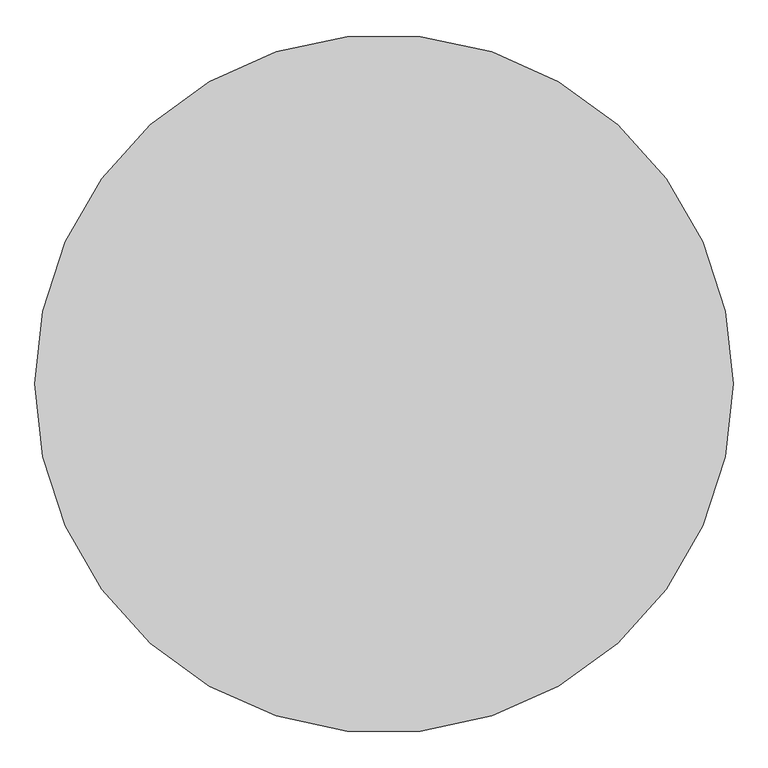
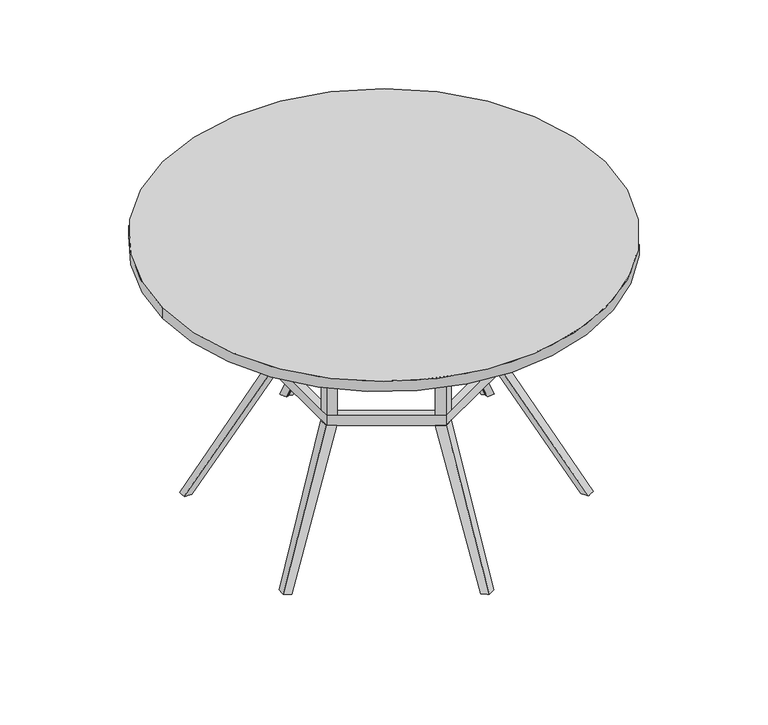
"""IFC4 building model written with IfcOpenShell, lengths in millimetres: furniture geometry."""

from ifc_helpers import new_model, si_unit, point, frame, frame_2d, origin, place, context, project, spatial, polyline, circle_curve, trimmed, segment, composite_curve, outline, extrude, source, transform, mapped, element, save
from ifc_brep_helpers import plane_surface, spline_surface, advanced_brep


def furniture_e1f1187c(model_context):
    return source(origin(), model_context, "Body", "SolidModel", [
        extrude(outline(polyline([(265.8833393, 572.9782528), (265.4415603, 602.9782385), (564.822596, 737.1083508), (570.0030938, 737.1083508), (570.0030938, 719.3283314), (595.4057947, 719.3283314), (265.8833393, 572.9782528)])), frame((-7.617626, 0.0, 0.0), z_axis=(1.0, 0.0, 0.0), x_axis=(0.0, 1.0, 0.0)), (0.0, 0.0, 1.0), 17.3482058),
        extrude(outline(composite_curve([segment(trimmed(circle_curve(frame_2d((0.0, -4.0299408)), 609.6), [point((-609.6, -4.0299408))], [point((609.6, -4.0299408))], False, "CARTESIAN"), True, "CONTINUOUS"), segment(trimmed(circle_curve(frame_2d((0.0, -4.0299408)), 609.6), [point((609.6, -4.0299408))], [point((-609.6, -4.0299408))], False, "CARTESIAN"), True, "CONTINUOUS")], self_intersect=False)), frame((0.0, 0.0, 718.9309477), z_axis=(0.0, 0.0, 1.0), x_axis=(1.0, 0.0, 0.0)), (0.0, 0.0, 1.0), 30.3690523),
        advanced_brep(
        [(1.0282337, 270.8913115, 372.9783239), (-20.9405631, 258.1675675, 372.9783239), (-20.7626257, 257.859371, 372.9783239), (1.0645704, 270.4495525, 372.9783239), (22.8694566, 257.8487469, 372.9783239), (23.0752198, 258.2051389, 372.9783239), (1.0564769, 476.3675664, 6.35), (18.2508741, 465.0696732, 6.35), (9.6564831, 446.899743, 6.35), (1.0564769, 450.9675543, 6.35), (-7.5795095, 447.8559347, 6.35), (-16.5215265, 465.8193731, 6.35), (-10.7833546, 240.5747734, 372.9783239), (1.0564769, 247.404053, 372.9783239), (12.8907228, 240.565098, 372.9783239), (225.6628869, -169.3323273, 572.9782528), (247.6599227, -156.6323225, 572.9782528), (247.6599409, -131.2323376, 572.9782528), (247.3040665, -131.2323376, 572.9782528), (247.2938857, -156.4303306, 572.9782528), (225.4788206, -169.0135148, 572.9782528), (-21.154281, -286.3089003, 572.9782528), (0.8427595, -299.0088881, 572.9782528), (22.8397996, -286.3089003, 572.9782528), (22.6618622, -286.0007038, 572.9782528), (0.8346661, -298.5908853, 572.9782528), (-20.9702124, -285.9900841, 572.9782528), (-245.8675474, -131.0472381, 572.9782528), (-245.9022848, -156.4672883, 572.9782528), (-223.8705253, -169.1472472, 572.9782528), (-223.6925821, -168.8390405, 572.9782528), (-245.509604, -156.2312218, 572.9782528), (-245.4994289, -131.0472383, 572.9782528), (247.810206, 102.9059048, 572.9782528), (247.7732697, 128.3095782, 572.9782528), (225.791496, 141.0435593, 572.9782528), (225.5918186, 140.6977078, 572.9782528), (247.4088405, 128.0898891, 572.9782528), (247.3986654, 102.905905, 572.9782528), (23.0752198, 258.2051389, 572.9782528), (1.0282337, 270.8913115, 572.9782528), (-20.9405631, 258.1675675, 572.9782528), (-20.7626257, 257.859371, 572.9782528), (1.0645704, 270.4495525, 572.9782528), (22.8694566, 257.8487469, 572.9782528), (-223.7853586, 141.2285943, 572.9782528), (-245.7953779, 128.4783976, 572.9782528), (-245.7607044, 103.0910049, 572.9782528), (-245.40483, 103.0910049, 572.9782528), (-245.3946493, 128.2889978, 572.9782528), (-223.5795841, 140.8721821, 572.9782528), (247.6599409, -131.2323376, 402.9783096), (247.6599227, -156.6323225, 402.9783096), (225.6628869, -169.3323273, 402.9783096), (225.4788206, -169.0135148, 402.9783096), (247.2938857, -156.4303306, 402.9783096), (247.3040665, -131.2323376, 402.9783096), (22.8397996, -286.3089003, 402.9783096), (0.8427595, -299.0088881, 402.9783096), (-21.154281, -286.3089003, 402.9783096), (-20.9702124, -285.9900841, 402.9783096), (0.8346661, -298.5908853, 402.9783096), (22.6618622, -286.0007038, 402.9783096), (-223.8705253, -169.1472472, 402.9783096), (-245.9022848, -156.4672883, 402.9783096), (-245.8675474, -131.0472381, 402.9783096), (-245.4994289, -131.0472383, 402.9783096), (-245.509604, -156.2312218, 402.9783096), (-223.6925821, -168.8390405, 402.9783096), (225.791496, 141.0435593, 402.9783096), (247.7732697, 128.3095782, 402.9783096), (247.810206, 102.9059048, 402.9783096), (247.3986654, 102.905905, 402.9783096), (247.4088405, 128.0898891, 402.9783096), (225.5918186, 140.6977078, 402.9783096), (-20.9405631, 258.1675675, 402.9783096), (1.0282337, 270.8913115, 402.9783096), (23.0752198, 258.2051389, 402.9783096), (22.8694566, 257.8487469, 402.9783096), (1.0645704, 270.4495525, 402.9783096), (-20.7626257, 257.859371, 402.9783096), (-245.7607044, 103.0910049, 402.9783096), (-245.7953779, 128.4783976, 402.9783096), (-223.7853586, 141.2285943, 402.9783096), (-223.5795841, 140.8721821, 402.9783096), (-245.3946493, 128.2889978, 402.9783096), (-245.40483, 103.0910049, 402.9783096), (227.4468033, 116.5741481, 372.9783239), (227.3399421, -144.9005713, 372.9783239), (227.3399421, -144.9005713, 602.9782385), (227.4468033, 116.5741481, 602.9782385), (227.3455281, -131.2323376, 572.9782528), (227.3455281, -131.2323376, 402.9783096), (227.4412173, 102.9059139, 402.9783096), (227.4412173, 102.9059139, 572.9782528), (12.6825911, -268.7161061, 372.9783239), (0.8427595, -275.5453857, 372.9783239), (0.8427595, -275.5453857, 573.6898187), (3.6204115, -273.9432209, 572.9782528), (4.3863179, -273.5014419, 602.9782385), (215.5001041, -151.7298546, 402.9783096), (215.5001041, -151.7298546, 572.9782528), (12.6825911, -268.7161061, 572.9782528), (12.6825911, -268.7161061, 402.9783096), (-10.9914864, -268.7064307, 372.9783239), (-225.5475668, -144.7154808, 372.9783239), (-225.5475668, -144.7154808, 602.9782385), (-2.6941162, -273.5014419, 602.9782385), (-1.9296542, -273.9432209, 572.9782528), (-10.9914864, -268.7064307, 402.9783096), (-10.9914864, -268.7064307, 572.9782528), (-213.7133148, -151.5544394, 572.9782528), (-213.7133148, -151.5544394, 402.9783096), (-225.5419808, -131.0472472, 572.9782528), (-225.5419808, -131.0472472, 402.9783096), (-225.4407056, 116.7592386, 372.9783239), (-225.4407056, 116.7592386, 602.9782385), (-225.4462916, 103.0910049, 572.9782528), (-225.4462916, 103.0910049, 402.9783096), (215.6125513, 123.4131067, 402.9783096), (215.6125513, 123.4131067, 572.9782528), (1.0564769, 247.404053, 602.9782385), (12.8907228, 240.565098, 402.9783096), (12.8907228, 240.565098, 572.9782528), (-10.7833546, 240.5747734, 402.9783096), (-10.7833546, 240.5747734, 572.9782528), (-213.6008676, 123.5885219, 402.9783096), (-213.6008676, 123.5885219, 572.9782528), (250.9482697, 128.3095782, 372.9783239), (228.966496, 141.0435593, 372.9783239), (227.9725132, 139.3219303, 372.9783239), (247.4088405, 128.0898891, 372.9783239), (247.3986654, 102.9059064, 372.9783239), (250.985206, 102.9059048, 372.9783239), (428.9099907, 231.0559048, 6.35), (427.7286296, 210.6142246, 6.35), (407.6821921, 208.9711124, 6.35), (406.9129685, 218.3558988, 6.35), (399.9002062, 224.2790656, 6.35), (410.9860121, 241.004807, 6.35), (218.7875513, 123.4131067, 372.9783239), (230.6162173, 102.9059139, 372.9783239), (230.6218033, 116.5741481, 372.9783239), (-248.9703779, 128.4783976, 372.9783239), (-248.9357044, 103.0910049, 372.9783239), (-245.40483, 103.0910049, 372.9783239), (-245.3946493, 128.2889978, 372.9783239), (-225.9613901, 139.4983285, 372.9783239), (-226.9603586, 141.2285943, 372.9783239), (-426.9039293, 231.2409953, 6.35), (-408.5224568, 240.4828367, 6.35), (-397.0840562, 223.9549029, 6.35), (-404.9068709, 218.5409892, 6.35), (-406.5301003, 209.5061846, 6.35), (-426.5579112, 210.7438997, 6.35), (-228.6212916, 103.0910049, 372.9783239), (-228.6157056, 116.7592386, 372.9783239), (-216.7758676, 123.5885219, 372.9783239), (-247.4550474, -131.0472381, 372.9783239), (-247.4905519, -157.0286794, 372.9783239), (-225.7237416, -169.6074814, 372.9783239), (-224.8829294, -168.1511518, 372.9783239), (-245.509604, -156.2312218, 372.9783239), (-245.4994289, -131.047239, 372.9783239), (-424.1694352, -239.9792885, 6.35), (-404.1019024, -238.3344473, 6.35), (-403.3449923, -247.5690059, 6.35), (-396.3322299, -253.4921727, 6.35), (-407.4180358, -270.2179141, 6.35), (-425.3420144, -260.269012, 6.35), (-215.3008148, -151.5544394, 372.9783239), (-227.1350668, -144.7154808, 372.9783239), (-227.1294808, -131.0472472, 372.9783239), (-21.154281, -286.3089003, 372.9783239), (0.8427595, -299.0088881, 372.9783239), (22.8397996, -286.3089003, 372.9783239), (22.6618622, -286.0007038, 372.9783239), (0.8346661, -298.5908853, 372.9783239), (-20.9702124, -285.9900841, 372.9783239), (9.9434814, -476.9308651, 6.35), (18.850254, -494.8235019, 6.35), (0.9239993, -505.5806736, 6.35), (-16.2703979, -494.2827803, 6.35), (-7.6760069, -476.1128502, 6.35), (0.9239993, -480.1806615, 6.35), (228.8378869, -169.3323273, 372.9783239), (250.8349227, -156.6323225, 372.9783239), (250.8349409, -131.2323376, 372.9783239), (247.3040665, -131.2323376, 372.9783239), (247.2938857, -156.4303306, 372.9783239), (227.8606266, -167.6396613, 372.9783239), (428.4571477, -238.8852324, 6.35), (428.8031658, -259.382328, 6.35), (410.4216933, -268.6241694, 6.35), (398.9832927, -252.0962357, 6.35), (406.8061073, -246.6823219, 6.35), (408.4293367, -237.6475173, 6.35), (230.5205281, -131.2323376, 372.9783239), (230.5149421, -144.9005713, 372.9783239), (218.6751041, -151.7298546, 372.9783239), (9.7305798, -273.5014419, 602.9782385), (9.7305798, -293.4596184, 602.9782385), (238.6238277, -161.4313212, 602.9782385), (224.8683254, -153.4895783, 602.9782385), (233.5424281, -138.4655919, 602.9782385), (247.2979353, -146.4073377, 602.9782385), (247.4047965, 118.0809148, 602.9782385), (242.3448132, 115.159532, 602.9782385), (233.670707, 130.1835247, 602.9782385), (238.7306815, 133.1049024, 602.9782385), (1.0645704, 270.4495525, 602.9782385), (-236.7245916, 133.2899883, 602.9782385), (-233.0890399, 131.1910016, 602.9782385), (-241.7631422, 116.1670157, 602.9782385), (-245.3986989, 118.2660053, 602.9782385), (-245.5055601, -146.2222475, 602.9782385), (-233.1744806, -139.1028955, 602.9782385), (-224.5003745, -154.126888, 602.9782385), (-236.8314452, -161.246235, 602.9782385), (-7.617626, -293.7063979, 602.9782385), (-7.617626, -273.5014419, 602.9782385), (238.7306815, 133.1049024, 575.3769764), (247.4088405, 128.0898891, 577.6011682), (-245.3946493, 128.2889978, 576.8706728), (-236.7245916, 133.2899883, 574.6464831), (-245.509604, -156.2312218, 581.3300378), (-245.5055601, -146.2222475, 579.1058506), (-245.3986989, 118.2660053, 574.6464857), (0.8346661, -298.5908853, 583.9249654), (-7.617626, -293.7063979, 581.7556289), (-236.8314452, -161.246235, 579.1058461), (247.2938857, -156.4303306, 582.0605337), (238.6238277, -161.4313212, 579.8363439), (9.7305798, -293.4596184, 581.6460272), (247.4047965, 118.0809148, 575.376981), (247.2979353, -146.4073377, 579.8363464), (492.9422893, 279.8740426, 737.1083508), (497.428732, 282.4642914, 737.1083508), (497.428732, 282.4642914, 719.3283314), (519.4281163, 295.1656419, 719.3283314), (528.1022225, 280.1416492, 719.3283314), (506.1028382, 267.4402988, 719.3283314), (506.1028382, 267.4402988, 737.1083508), (501.6163955, 264.8500499, 737.1083508), (-501.0347246, 265.8575335, 737.1083508), (-505.5211672, 268.4477824, 737.1083508), (-505.5211672, 268.4477824, 719.3283314), (-527.5205515, 281.1491329, 719.3283314), (-518.8464492, 296.1731188, 719.3283314), (-496.8470649, 283.4717683, 719.3283314), (-496.8470649, 283.4717683, 737.1083508), (-492.3606223, 280.8815195, 737.1083508), (-483.7719569, -303.8174058, 737.1083508), (-488.2583995, -306.4076547, 737.1083508), (-488.2583995, -306.4076547, 719.3283314), (-510.2577838, -319.1090052, 719.3283314), (-518.9318899, -304.0850127, 719.3283314), (-496.9325056, -291.3836622, 719.3283314), (-496.9325056, -291.3836622, 737.1083508), (-492.446063, -288.7934134, 737.1083508), (9.7305798, -572.8824776, 737.1083508), (9.7305798, -578.0629753, 737.1083508), (9.7305798, -578.0629753, 719.3283314), (9.7305798, -603.4656762, 719.3283314), (-7.617626, -603.4656762, 719.3283314), (-7.617626, -578.0629753, 719.3283314), (-7.617626, -578.0629753, 737.1083508), (-7.617626, -572.8824776, 737.1083508), (492.8140104, -288.1561097, 737.1083508), (497.300453, -290.7463586, 737.1083508), (497.300453, -290.7463586, 719.3283314), (519.2998373, -303.447709, 719.3283314), (510.6257347, -318.4716955, 719.3283314), (488.6263504, -305.770345, 719.3283314), (488.6263504, -305.770345, 737.1083508), (484.1399078, -303.1800962, 737.1083508)],
        [
            (0, 1),
            (1, 2),
            (2, 3),
            (3, 4),
            (4, 5),
            (5, 0),
            (6, 7),
            (7, 8),
            (8, 9),
            (9, 10),
            (10, 11),
            (11, 6),
            (0, 6),
            (11, 1),
            (10, 12),
            (12, 2),
            (9, 13),
            (13, 12),
            (8, 14),
            (14, 13),
            (7, 5),
            (4, 14),
            (15, 16),
            (16, 17),
            (17, 18),
            (18, 19),
            (19, 20),
            (20, 15),
            (21, 22),
            (22, 23),
            (23, 24),
            (24, 25),
            (25, 26),
            (26, 21),
            (27, 28),
            (28, 29),
            (29, 30),
            (30, 31),
            (31, 32),
            (32, 27),
            (33, 34),
            (34, 35),
            (35, 36),
            (36, 37),
            (37, 38),
            (38, 33),
            (39, 40),
            (40, 41),
            (41, 42),
            (42, 43),
            (43, 44),
            (44, 39),
            (45, 46),
            (46, 47),
            (47, 48),
            (48, 49),
            (49, 50),
            (50, 45),
            (51, 52),
            (52, 53),
            (53, 54),
            (54, 55),
            (55, 56),
            (56, 51),
            (57, 58),
            (58, 59),
            (59, 60),
            (60, 61),
            (61, 62),
            (62, 57),
            (63, 64),
            (64, 65),
            (65, 66),
            (66, 67),
            (67, 68),
            (68, 63),
            (69, 70),
            (70, 71),
            (71, 72),
            (72, 73),
            (73, 74),
            (74, 69),
            (75, 76),
            (76, 77),
            (77, 78),
            (78, 79),
            (79, 80),
            (80, 75),
            (81, 82),
            (82, 83),
            (83, 84),
            (84, 85),
            (85, 86),
            (86, 81),
            (87, 88),
            (88, 89),
            (89, 90),
            (90, 87),
            (91, 92),
            (92, 93),
            (93, 94),
            (94, 91),
            (88, 95),
            (95, 96),
            (96, 97),
            (97, 98),
            (98, 99),
            (99, 89),
            (100, 101),
            (101, 102),
            (102, 103),
            (103, 100),
            (100, 54),
            (53, 15),
            (20, 101),
            (91, 18),
            (17, 51),
            (56, 92),
            (52, 16),
            (104, 105),
            (105, 106),
            (106, 107),
            (107, 108),
            (108, 97),
            (96, 104),
            (109, 110),
            (110, 111),
            (111, 112),
            (112, 109),
            (109, 60),
            (59, 21),
            (26, 110),
            (58, 22),
            (57, 23),
            (102, 24),
            (62, 103),
            (113, 114),
            (114, 66),
            (65, 27),
            (32, 113),
            (64, 28),
            (63, 29),
            (68, 112),
            (111, 30),
            (105, 115),
            (115, 116),
            (116, 106),
            (113, 117),
            (117, 118),
            (118, 114),
            (33, 71),
            (70, 34),
            (69, 35),
            (74, 119),
            (119, 120),
            (120, 36),
            (14, 87),
            (90, 121),
            (121, 13),
            (119, 122),
            (122, 123),
            (123, 120),
            (38, 94),
            (93, 72),
            (39, 77),
            (76, 40),
            (75, 41),
            (80, 124),
            (124, 125),
            (125, 42),
            (115, 12),
            (121, 116),
            (124, 126),
            (126, 127),
            (127, 125),
            (44, 123),
            (122, 78),
            (45, 83),
            (82, 46),
            (81, 47),
            (86, 118),
            (117, 48),
            (50, 127),
            (126, 84),
            (128, 129),
            (129, 130),
            (130, 131),
            (131, 132),
            (132, 133),
            (133, 128),
            (134, 135),
            (135, 136),
            (136, 137),
            (137, 138),
            (138, 139),
            (139, 134),
            (138, 140),
            (140, 130),
            (129, 139),
            (135, 133),
            (132, 141),
            (141, 136),
            (128, 134),
            (137, 142),
            (142, 140),
            (141, 142),
            (143, 144),
            (144, 145),
            (145, 146),
            (146, 147),
            (147, 148),
            (148, 143),
            (149, 150),
            (150, 151),
            (151, 152),
            (152, 153),
            (153, 154),
            (154, 149),
            (143, 149),
            (154, 144),
            (153, 155),
            (155, 145),
            (152, 156),
            (156, 155),
            (151, 157),
            (157, 156),
            (150, 148),
            (147, 157),
            (158, 159),
            (159, 160),
            (160, 161),
            (161, 162),
            (162, 163),
            (163, 158),
            (164, 165),
            (165, 166),
            (166, 167),
            (167, 168),
            (168, 169),
            (169, 164),
            (158, 164),
            (169, 159),
            (168, 160),
            (167, 170),
            (170, 161),
            (166, 171),
            (171, 170),
            (165, 172),
            (172, 171),
            (163, 172),
            (173, 174),
            (174, 175),
            (175, 176),
            (176, 177),
            (177, 178),
            (178, 173),
            (179, 180),
            (180, 181),
            (181, 182),
            (182, 183),
            (183, 184),
            (184, 179),
            (184, 96),
            (95, 179),
            (183, 104),
            (182, 173),
            (178, 104),
            (181, 174),
            (180, 175),
            (95, 176),
            (185, 186),
            (186, 187),
            (187, 188),
            (188, 189),
            (189, 190),
            (190, 185),
            (191, 192),
            (192, 193),
            (193, 194),
            (194, 195),
            (195, 196),
            (196, 191),
            (196, 197),
            (197, 188),
            (187, 191),
            (195, 198),
            (198, 197),
            (194, 199),
            (199, 198),
            (193, 185),
            (190, 199),
            (192, 186),
            (56, 72),
            (62, 54),
            (68, 60),
            (86, 66),
            (74, 78),
            (80, 84),
            (4, 130),
            (132, 188),
            (190, 176),
            (178, 161),
            (163, 145),
            (147, 2),
            (73, 131),
            (3, 79),
            (146, 85),
            (162, 67),
            (177, 61),
            (189, 55),
            (99, 200),
            (200, 201),
            (201, 202),
            (202, 203),
            (203, 204),
            (204, 205),
            (205, 206),
            (206, 207),
            (207, 208),
            (208, 209),
            (209, 210),
            (210, 211),
            (211, 212),
            (212, 213),
            (213, 214),
            (214, 215),
            (215, 216),
            (216, 217),
            (217, 218),
            (218, 219),
            (219, 220),
            (220, 107),
            (38, 18),
            (20, 24),
            (26, 30),
            (32, 48),
            (44, 36),
            (50, 42),
            (43, 210),
            (209, 221),
            (221, 222),
            (222, 37),
            (49, 223),
            (223, 224),
            (224, 211),
            (31, 225),
            (225, 226),
            (226, 215),
            (214, 227),
            (227, 223),
            (25, 228),
            (228, 229),
            (229, 219),
            (218, 230),
            (230, 225),
            (19, 231),
            (231, 232),
            (232, 202),
            (201, 233),
            (233, 228),
            (222, 234),
            (234, 206),
            (205, 235),
            (235, 231),
            (208, 236),
            (236, 237),
            (237, 238),
            (238, 239),
            (239, 221),
            (240, 241),
            (241, 242),
            (242, 243),
            (243, 207),
            (234, 240),
            (239, 240),
            (238, 241),
            (237, 242),
            (236, 243),
            (213, 244),
            (244, 245),
            (245, 246),
            (246, 247),
            (247, 227),
            (248, 249),
            (249, 250),
            (250, 251),
            (251, 212),
            (224, 248),
            (247, 248),
            (246, 249),
            (245, 250),
            (244, 251),
            (217, 252),
            (252, 253),
            (253, 254),
            (254, 255),
            (255, 230),
            (256, 257),
            (257, 258),
            (258, 259),
            (259, 216),
            (226, 256),
            (255, 256),
            (254, 257),
            (253, 258),
            (252, 259),
            (200, 260),
            (260, 261),
            (261, 262),
            (262, 263),
            (263, 233),
            (264, 265),
            (265, 266),
            (266, 267),
            (267, 220),
            (229, 264),
            (263, 264),
            (108, 98),
            (262, 265),
            (261, 266),
            (260, 267),
            (99, 107),
            (204, 268),
            (268, 269),
            (269, 270),
            (270, 271),
            (271, 235),
            (272, 273),
            (273, 274),
            (274, 275),
            (275, 203),
            (232, 272),
            (271, 272),
            (270, 273),
            (269, 274),
            (268, 275),
        ],
        [
            plane_surface(frame((1.0544559, 252.6346571, 372.9783239), z_axis=(0.0, 0.0, 1.0), x_axis=(0.5000005391607083, 0.8660250924996348, 0.0))),
            plane_surface(frame((0.9865459, 458.8299741, 6.35), z_axis=(0.0, 0.0, -1.0), x_axis=(0.5000005391607083, 0.8660250924996348, 0.0))),
            spline_surface(1, 1, [[(1.0564769, 476.3675664, 6.35), (1.0282337, 270.8913115, 372.9783239)], [(-16.5215265, 465.8193731, 6.35), (-20.9405631, 258.1675675, 372.9783239)]], [2, 2], [2, 2], [0.0, 1.0], [0.0, 1.0]),
            spline_surface(1, 1, [[(-16.5215265, 465.8193731, 6.35), (-20.9405631, 258.1675675, 372.9783239)], [(-7.5795095, 447.8559347, 6.35), (-10.7833546, 240.5747734, 372.9783239)]], [2, 2], [2, 2], [0.0, 1.0], [0.0, 1.0]),
            spline_surface(1, 1, [[(-7.5795095, 447.8559347, 6.35), (-10.7833546, 240.5747734, 372.9783239)], [(1.0564769, 450.9675543, 6.35), (1.0564769, 247.404053, 372.9783239)]], [2, 2], [2, 2], [0.0, 1.0], [0.0, 1.0]),
            spline_surface(1, 1, [[(1.0564769, 450.9675543, 6.35), (1.0564769, 247.404053, 372.9783239)], [(9.6564831, 446.899743, 6.35), (12.8907228, 240.565098, 372.9783239)]], [2, 2], [2, 2], [0.0, 1.0], [0.0, 1.0]),
            spline_surface(1, 1, [[(9.6564831, 446.899743, 6.35), (12.8907228, 240.565098, 372.9783239)], [(18.2508741, 465.0696732, 6.35), (23.0752198, 258.2051389, 372.9783239)]], [2, 2], [2, 2], [0.0, 1.0], [0.0, 1.0]),
            spline_surface(1, 1, [[(18.2508741, 465.0696732, 6.35), (23.0752198, 258.2051389, 372.9783239)], [(1.0564769, 476.3675664, 6.35), (1.0282337, 270.8913115, 372.9783239)]], [2, 2], [2, 2], [0.0, 1.0], [0.0, 1.0]),
            plane_surface(frame((227.4468033, 116.5741481, 572.9782528), z_axis=(0.0, 0.0, 1.0), x_axis=(-0.0004086865498825392, -0.9999999164876485, 0.0))),
            plane_surface(frame((227.4468033, 116.5741481, 402.9783096), z_axis=(0.0, 0.0, -1.0), x_axis=(0.0004086865498825392, 0.9999999164876485, 0.0))),
            plane_surface(frame((227.3455281, -131.2323376, 572.9782528), z_axis=(-0.9999999164876485, 0.0004086865498825392, 0.0), x_axis=(0.0, 0.0, -1.0))),
            plane_surface(frame((227.3399421, -144.9005713, 572.9782528), z_axis=(-0.4996460191726039, 0.8662296782753232, 0.0), x_axis=(0.0, 0.0, -1.0))),
            plane_surface(frame((215.5001041, -151.7298546, 572.9782528), z_axis=(-0.8660256063750589, -0.4999996491025887, 0.0), x_axis=(0.0, 0.0, -1.0))),
            plane_surface(frame((247.6599409, -131.2323376, 572.9782528), z_axis=(0.0, 1.0, 0.0), x_axis=(0.0, 0.0, -1.0))),
            plane_surface(frame((225.6628869, -169.3323273, 572.9782528), z_axis=(0.5000003044673711, -0.8660252280000487, 0.0), x_axis=(0.0, 0.0, -1.0))),
            plane_surface(frame((247.6599227, -156.6323225, 572.9782528), z_axis=(0.9999999999997442, -7.152561636304001e-07, 0.0), x_axis=(0.0, 0.0, -1.0))),
            plane_surface(frame((0.8427595, -275.5453857, 572.9782528), z_axis=(0.5003538807390753, 0.865820994218405, 0.0), x_axis=(0.0, 0.0, -1.0))),
            plane_surface(frame((-10.9914864, -268.7064307, 572.9782528), z_axis=(-0.8660253160174293, 0.5000001520168889, 0.0), x_axis=(0.0, 0.0, -1.0))),
            plane_surface(frame((-21.154281, -286.3089003, 572.9782528), z_axis=(-0.4999997224481321, -0.866025564029025, 0.0), x_axis=(0.0, 0.0, -1.0))),
            plane_surface(frame((0.8427595, -299.0088881, 572.9782528), z_axis=(0.49999973061444164, -0.8660255593142074, 0.0), x_axis=(0.0, 0.0, -1.0))),
            plane_surface(frame((22.8397996, -286.3089003, 572.9782528), z_axis=(0.8660253160174297, 0.5000001520168879, 0.0), x_axis=(0.0, 0.0, -1.0))),
            plane_surface(frame((-225.5419808, -131.0472472, 572.9782528), z_axis=(4.4703486221542854e-07, 0.9999999999999001, 0.0), x_axis=(0.0, 0.0, -1.0))),
            plane_surface(frame((-245.8675474, -131.0472381, 572.9782528), z_axis=(-0.9999990662940893, 0.001366532454608452, 0.0), x_axis=(0.0, 0.0, -1.0))),
            plane_surface(frame((-245.9022848, -156.4672883, 572.9782528), z_axis=(-0.498816902463327, -0.8667073888094481, 0.0), x_axis=(0.0, 0.0, -1.0))),
            plane_surface(frame((-223.8705253, -169.1472472, 572.9782528), z_axis=(0.8660254427489326, -0.49999993251151087, 0.0), x_axis=(0.0, 0.0, -1.0))),
            plane_surface(frame((-225.5475668, -144.7154808, 572.9782528), z_axis=(0.9999999164876485, -0.000408686549877738, 0.0), x_axis=(0.0, 0.0, -1.0))),
            plane_surface(frame((247.810206, 102.9059048, 572.9782528), z_axis=(0.9999989429817238, 0.0014539722952247535, 0.0), x_axis=(0.0, 0.0, -1.0))),
            plane_surface(frame((247.7732697, 128.3095782, 572.9782528), z_axis=(0.5012630036247611, 0.8652949792972815, 0.0), x_axis=(0.0, 0.0, -1.0))),
            plane_surface(frame((225.791496, 141.0435593, 572.9782528), z_axis=(-0.8660254427489322, 0.4999999325115114, 0.0), x_axis=(0.0, 0.0, -1.0))),
            plane_surface(frame((215.6125513, 123.4131067, 572.9782528), z_axis=(-0.5003538807390725, -0.8658209942184066, 0.0), x_axis=(0.0, 0.0, -1.0))),
            plane_surface(frame((227.4412173, 102.9059139, 572.9782528), z_axis=(-4.47034861791882e-07, -0.9999999999999001, 0.0), x_axis=(0.0, 0.0, -1.0))),
            plane_surface(frame((23.0752198, 258.2051389, 572.9782528), z_axis=(0.49874160496434417, 0.8667507204944165, 0.0), x_axis=(0.0, 0.0, -1.0))),
            plane_surface(frame((1.0282337, 270.8913115, 572.9782528), z_axis=(-0.5011827924486907, 0.8653414404461008, 0.0), x_axis=(0.0, 0.0, -1.0))),
            plane_surface(frame((-20.9405631, 258.1675675, 572.9782528), z_axis=(-0.8660253160174296, -0.5000001520168882, 0.0), x_axis=(0.0, 0.0, -1.0))),
            plane_surface(frame((-10.7833546, 240.5747734, 572.9782528), z_axis=(0.49964601917260615, -0.8662296782753219, 0.0), x_axis=(0.0, 0.0, -1.0))),
            plane_surface(frame((12.8907228, 240.565098, 572.9782528), z_axis=(0.8660250924996348, -0.5000005391607083, 0.0), x_axis=(0.0, 0.0, -1.0))),
            plane_surface(frame((-223.7853586, 141.2285943, 572.9782528), z_axis=(-0.5012586778512238, 0.865297485191563, 0.0), x_axis=(0.0, 0.0, -1.0))),
            plane_surface(frame((-245.7953779, 128.4783976, 572.9782528), z_axis=(-0.9999990673285242, -0.001365775267699, 0.0), x_axis=(0.0, 0.0, -1.0))),
            plane_surface(frame((-245.7607044, 103.0910049, 572.9782528), z_axis=(0.0, -1.0, 0.0), x_axis=(0.0, 0.0, -1.0))),
            plane_surface(frame((-213.6008676, 123.5885219, 572.9782528), z_axis=(0.8660256063750593, 0.4999996491025877, 0.0), x_axis=(0.0, 0.0, -1.0))),
            plane_surface(frame((235.1542572, 119.1920352, 372.9783239), z_axis=(0.0, 0.0, 1.0), x_axis=(-0.4999999325115116, -0.8660254427489321, 0.0))),
            plane_surface(frame((413.6866665, 222.3801689, 6.35), z_axis=(0.0, 0.0, -1.0), x_axis=(-0.4999999325115116, -0.8660254427489321, 0.0))),
            spline_surface(1, 1, [[(410.9860121, 241.004807, 6.35), (228.966496, 141.0435593, 372.9783239)], [(399.9002062, 224.2790656, 6.35), (218.7875513, 123.4131067, 372.9783239)]], [2, 2], [2, 2], [0.0, 1.0], [0.0, 1.0]),
            spline_surface(1, 1, [[(407.6821921, 208.9711124, 6.35), (230.6162173, 102.9059139, 372.9783239)], [(427.7286296, 210.6142246, 6.35), (250.985206, 102.9059048, 372.9783239)]], [2, 2], [2, 2], [0.0, 1.0], [0.0, 1.0]),
            spline_surface(1, 1, [[(428.9099907, 231.0559048, 6.35), (250.9482697, 128.3095782, 372.9783239)], [(410.9860121, 241.004807, 6.35), (228.966496, 141.0435593, 372.9783239)]], [2, 2], [2, 2], [0.0, 1.0], [0.0, 1.0]),
            spline_surface(1, 1, [[(427.7286296, 210.6142246, 6.35), (250.985206, 102.9059048, 372.9783239)], [(428.9099907, 231.0559048, 6.35), (250.9482697, 128.3095782, 372.9783239)]], [2, 2], [2, 2], [0.0, 1.0], [0.0, 1.0]),
            spline_surface(1, 1, [[(399.9002062, 224.2790656, 6.35), (218.7875513, 123.4131067, 372.9783239)], [(406.9129685, 218.3558988, 6.35), (230.6218033, 116.5741481, 372.9783239)]], [2, 2], [2, 2], [0.0, 1.0], [0.0, 1.0]),
            spline_surface(1, 1, [[(406.9129685, 218.3558988, 6.35), (230.6218033, 116.5741481, 372.9783239)], [(407.6821921, 208.9711124, 6.35), (230.6162173, 102.9059139, 372.9783239)]], [2, 2], [2, 2], [0.0, 1.0], [0.0, 1.0]),
            plane_surface(frame((-233.146551, 119.3727937, 372.9783239), z_axis=(0.0, 0.0, 1.0), x_axis=(-0.49999964910258876, 0.8660256063750588, 0.0))),
            plane_surface(frame((-411.7508875, 222.4116347, 6.35), z_axis=(0.0, 0.0, -1.0), x_axis=(-0.49999964910258876, 0.8660256063750588, 0.0))),
            spline_surface(1, 1, [[(-426.9039293, 231.2409953, 6.35), (-248.9703779, 128.4783976, 372.9783239)], [(-426.5579112, 210.7438997, 6.35), (-248.9357044, 103.0910049, 372.9783239)]], [2, 2], [2, 2], [0.0, 1.0], [0.0, 1.0]),
            spline_surface(1, 1, [[(-426.5579112, 210.7438997, 6.35), (-248.9357044, 103.0910049, 372.9783239)], [(-406.5301003, 209.5061846, 6.35), (-228.6212916, 103.0910049, 372.9783239)]], [2, 2], [2, 2], [0.0, 1.0], [0.0, 1.0]),
            spline_surface(1, 1, [[(-406.5301003, 209.5061846, 6.35), (-228.6212916, 103.0910049, 372.9783239)], [(-404.9068709, 218.5409892, 6.35), (-228.6157056, 116.7592386, 372.9783239)]], [2, 2], [2, 2], [0.0, 1.0], [0.0, 1.0]),
            spline_surface(1, 1, [[(-404.9068709, 218.5409892, 6.35), (-228.6157056, 116.7592386, 372.9783239)], [(-397.0840562, 223.9549029, 6.35), (-216.7758676, 123.5885219, 372.9783239)]], [2, 2], [2, 2], [0.0, 1.0], [0.0, 1.0]),
            spline_surface(1, 1, [[(-397.0840562, 223.9549029, 6.35), (-216.7758676, 123.5885219, 372.9783239)], [(-408.5224568, 240.4828367, 6.35), (-226.9603586, 141.2285943, 372.9783239)]], [2, 2], [2, 2], [0.0, 1.0], [0.0, 1.0]),
            spline_surface(1, 1, [[(-408.5224568, 240.4828367, 6.35), (-226.9603586, 141.2285943, 372.9783239)], [(-426.9039293, 231.2409953, 6.35), (-248.9703779, 128.4783976, 372.9783239)]], [2, 2], [2, 2], [0.0, 1.0], [0.0, 1.0]),
            plane_surface(frame((-231.7057839, -147.5000944, 372.9783239), z_axis=(0.0, 0.0, 1.0), x_axis=(-0.9999999999999001, 4.470348624607392e-07, 0.0))),
            plane_surface(frame((-410.1181017, -251.6436401, 6.35), z_axis=(0.0, 0.0, -1.0), x_axis=(-0.9999999999999001, 4.470348624607392e-07, 0.0))),
            spline_surface(1, 1, [[(-424.1694352, -239.9792885, 6.35), (-247.4550474, -131.0472381, 372.9783239)], [(-425.3420144, -260.269012, 6.35), (-247.4905519, -157.0286794, 372.9783239)]], [2, 2], [2, 2], [0.0, 1.0], [0.0, 1.0]),
            spline_surface(1, 1, [[(-425.3420144, -260.269012, 6.35), (-247.4905519, -157.0286794, 372.9783239)], [(-407.4180358, -270.2179141, 6.35), (-225.7237416, -169.6074814, 372.9783239)]], [2, 2], [2, 2], [0.0, 1.0], [0.0, 1.0]),
            spline_surface(1, 1, [[(-407.4180358, -270.2179141, 6.35), (-225.7237416, -169.6074814, 372.9783239)], [(-396.3322299, -253.4921727, 6.35), (-215.3008148, -151.5544394, 372.9783239)]], [2, 2], [2, 2], [0.0, 1.0], [0.0, 1.0]),
            spline_surface(1, 1, [[(-396.3322299, -253.4921727, 6.35), (-215.3008148, -151.5544394, 372.9783239)], [(-403.3449923, -247.5690059, 6.35), (-227.1350668, -144.7154808, 372.9783239)]], [2, 2], [2, 2], [0.0, 1.0], [0.0, 1.0]),
            spline_surface(1, 1, [[(-403.3449923, -247.5690059, 6.35), (-227.1350668, -144.7154808, 372.9783239)], [(-404.1019024, -238.3344473, 6.35), (-227.1294808, -131.0472472, 372.9783239)]], [2, 2], [2, 2], [0.0, 1.0], [0.0, 1.0]),
            spline_surface(1, 1, [[(-404.1019024, -238.3344473, 6.35), (-227.1294808, -131.0472472, 372.9783239)], [(-424.1694352, -239.9792885, 6.35), (-247.4550474, -131.0472381, 372.9783239)]], [2, 2], [2, 2], [0.0, 1.0], [0.0, 1.0]),
            plane_surface(frame((0.8436904, -280.7657685, 372.9783239), z_axis=(0.0, 0.0, 1.0000000000000002), x_axis=(-0.8662296782753222, -0.4996460191726059, 0.0))),
            plane_surface(frame((1.1158882, -487.9852221, 6.35), z_axis=(0.0, 0.0, -1.0000000000000002), x_axis=(-0.8662296782753222, -0.4996460191726059, 0.0))),
            spline_surface(1, 1, [[(9.9434814, -476.9308651, 6.35), (12.6825911, -268.7161061, 372.9783239)], [(0.9239993, -480.1806615, 6.35), (0.8427595, -275.5453857, 372.9783239)]], [2, 2], [2, 2], [0.0, 1.0], [0.0, 1.0]),
            spline_surface(1, 1, [[(0.9239993, -480.1806615, 6.35), (0.8427595, -275.5453857, 372.9783239)], [(-7.6760069, -476.1128502, 6.35), (-10.9914864, -268.7064307, 372.9783239)]], [2, 2], [2, 2], [0.0, 1.0], [0.0, 1.0]),
            spline_surface(1, 1, [[(-7.6760069, -476.1128502, 6.35), (-10.9914864, -268.7064307, 372.9783239)], [(-16.2703979, -494.2827803, 6.35), (-21.154281, -286.3089003, 372.9783239)]], [2, 2], [2, 2], [0.0, 1.0], [0.0, 1.0]),
            spline_surface(1, 1, [[(-16.2703979, -494.2827803, 6.35), (-21.154281, -286.3089003, 372.9783239)], [(0.9239993, -505.5806736, 6.35), (0.8427595, -299.0088881, 372.9783239)]], [2, 2], [2, 2], [0.0, 1.0], [0.0, 1.0]),
            spline_surface(1, 1, [[(0.9239993, -505.5806736, 6.35), (0.8427595, -299.0088881, 372.9783239)], [(18.850254, -494.8235019, 6.35), (22.8397996, -286.3089003, 372.9783239)]], [2, 2], [2, 2], [0.0, 1.0], [0.0, 1.0]),
            spline_surface(1, 1, [[(18.850254, -494.8235019, 6.35), (22.8397996, -286.3089003, 372.9783239)], [(9.9434814, -476.9308651, 6.35), (12.6825911, -268.7161061, 372.9783239)]], [2, 2], [2, 2], [0.0, 1.0], [0.0, 1.0]),
            plane_surface(frame((235.0363874, -147.5099585, 372.9783239), z_axis=(0.0, 0.0, 1.0000000000000002), x_axis=(-0.8662296782753222, -0.4996460191726059, 0.0))),
            plane_surface(frame((413.6501239, -250.5529675, 6.35), z_axis=(0.0, 0.0, -1.0000000000000002), x_axis=(-0.8662296782753222, -0.4996460191726059, 0.0))),
            spline_surface(1, 1, [[(428.4571477, -238.8852324, 6.35), (250.8349409, -131.2323376, 372.9783239)], [(408.4293367, -237.6475173, 6.35), (230.5205281, -131.2323376, 372.9783239)]], [2, 2], [2, 2], [0.0, 1.0], [0.0, 1.0]),
            spline_surface(1, 1, [[(408.4293367, -237.6475173, 6.35), (230.5205281, -131.2323376, 372.9783239)], [(406.8061073, -246.6823219, 6.35), (230.5149421, -144.9005713, 372.9783239)]], [2, 2], [2, 2], [0.0, 1.0], [0.0, 1.0]),
            spline_surface(1, 1, [[(406.8061073, -246.6823219, 6.35), (230.5149421, -144.9005713, 372.9783239)], [(398.9832927, -252.0962357, 6.35), (218.6751041, -151.7298546, 372.9783239)]], [2, 2], [2, 2], [0.0, 1.0], [0.0, 1.0]),
            spline_surface(1, 1, [[(398.9832927, -252.0962357, 6.35), (218.6751041, -151.7298546, 372.9783239)], [(410.4216933, -268.6241694, 6.35), (228.8378869, -169.3323273, 372.9783239)]], [2, 2], [2, 2], [0.0, 1.0], [0.0, 1.0]),
            spline_surface(1, 1, [[(410.4216933, -268.6241694, 6.35), (228.8378869, -169.3323273, 372.9783239)], [(428.8031658, -259.382328, 6.35), (250.8349227, -156.6323225, 372.9783239)]], [2, 2], [2, 2], [0.0, 1.0], [0.0, 1.0]),
            spline_surface(1, 1, [[(428.8031658, -259.382328, 6.35), (250.8349227, -156.6323225, 372.9783239)], [(428.4571477, -238.8852324, 6.35), (250.8349409, -131.2323376, 372.9783239)]], [2, 2], [2, 2], [0.0, 1.0], [0.0, 1.0]),
            plane_surface(frame((9.7305798, 265.4415603, 402.9783096), z_axis=(0.0, 0.0, 1.0), x_axis=(-0.8658233264159908, 0.500349845042395, 0.0))),
            plane_surface(frame((9.7305798, 265.4415603, 372.9783239), z_axis=(0.0, 0.0, -1.0), x_axis=(0.8658233264159908, -0.500349845042395, 0.0))),
            plane_surface(frame((247.4088405, 128.0898891, 402.9783096), z_axis=(0.500349845042395, 0.8658233264159908, 0.0), x_axis=(0.0, 0.0, -1.0))),
            plane_surface(frame((1.0645704, 270.4495525, 402.9783096), z_axis=(-0.49965004882758524, 0.866227353935785, 0.0), x_axis=(0.0, 0.0, -1.0))),
            plane_surface(frame((-245.3946493, 128.2889978, 402.9783096), z_axis=(-0.9999999183798517, 0.0004040300607395595, 0.0), x_axis=(0.0, 0.0, -1.0))),
            plane_surface(frame((-245.509604, -156.2312218, 402.9783096), z_axis=(-0.500349845042395, -0.8658233264159908, 0.0), x_axis=(0.0, 0.0, -1.0))),
            plane_surface(frame((0.8346661, -298.5908853, 402.9783096), z_axis=(0.49965004882758524, -0.866227353935785, 0.0), x_axis=(0.0, 0.0, -1.0))),
            plane_surface(frame((247.2938857, -156.4303306, 402.9783096), z_axis=(0.9999999183798517, -0.0004040300607395594, 0.0), x_axis=(0.0, 0.0, -1.0))),
            plane_surface(frame((9.7305798, 265.4415603, 602.9782385), z_axis=(0.0, 0.0, 1.0), x_axis=(-0.8658233264159908, 0.500349845042395, 0.0))),
            plane_surface(frame((9.7305798, 265.4415603, 572.9782528), z_axis=(0.0, 0.0, -1.0), x_axis=(0.8658233264159908, -0.500349845042395, 0.0))),
            plane_surface(frame((247.4088405, 128.0898891, 602.9782385), z_axis=(0.500349845042395, 0.8658233264159908, 0.0), x_axis=(0.0, 0.0, -1.0))),
            plane_surface(frame((1.0645704, 270.4495525, 602.9782385), z_axis=(-0.4996500488275852, 0.866227353935785, 0.0), x_axis=(0.0, 0.0, -1.0))),
            plane_surface(frame((-245.3946493, 128.2889978, 602.9782385), z_axis=(-0.9999999183798517, 0.0004040300607395598, 0.0), x_axis=(0.0, 0.0, -1.0))),
            plane_surface(frame((-245.509604, -156.2312218, 602.9782385), z_axis=(-0.500349845042395, -0.8658233264159908, 0.0), x_axis=(0.0, 0.0, -1.0))),
            plane_surface(frame((0.8346661, -298.5908853, 602.9782385), z_axis=(0.49965004882758535, -0.866227353935785, 0.0), x_axis=(0.0, 0.0, -1.0))),
            plane_surface(frame((247.2938857, -156.4303306, 602.9782385), z_axis=(0.9999999183798517, -0.00040403006073955953, 0.0), x_axis=(0.0, 0.0, -1.0))),
            plane_surface(frame((234.0532988, 130.4044142, 572.9782528), z_axis=(-0.5000000000000041, 0.8660254037844366, 0.0), x_axis=(-0.012751684571350789, -0.007362188519902518, 0.9998915904840836))),
            plane_surface(frame((242.727405, 115.3804215, 572.9782528), z_axis=(0.5000000000000041, -0.8660254037844366, 0.0), x_axis=(0.012751684571350789, 0.007362188519902518, -0.9998915904840836))),
            plane_surface(frame((519.4281163, 295.1656419, 719.3283314), z_axis=(0.3515169296551474, 0.2029483939611208, -0.9139189228560813), x_axis=(0.5000000000000046, -0.866025403784436, 0.0))),
            plane_surface(frame((497.428732, 282.4642914, 719.3283314), z_axis=(0.0, 0.0, 1.0), x_axis=(0.5000000000000046, -0.866025403784436, 0.0))),
            plane_surface(frame((497.428732, 282.4642914, 737.1083508), z_axis=(0.866025403784436, 0.5000000000000046, 0.0), x_axis=(0.5000000000000046, -0.866025403784436, 0.0))),
            plane_surface(frame((492.9422893, 279.8740426, 737.1083508), z_axis=(0.0, 0.0, 1.0000000000000002), x_axis=(0.5000000000000038, -0.8660254037844366, 0.0))),
            plane_surface(frame((233.670707, 130.1835247, 602.9782385), z_axis=(-0.3540875400927022, -0.2044325365892286, 0.9125948454461008), x_axis=(0.5000000000000041, -0.8660254037844363, 0.0))),
            plane_surface(frame((-242.1457341, 116.3879052, 572.9782528), z_axis=(-0.5000000000000089, -0.8660254037844335, 0.0), x_axis=(0.012751684571362583, -0.007362188519885696, 0.9998915904840835))),
            plane_surface(frame((-233.4716317, 131.4118911, 572.9782528), z_axis=(0.5000000000000089, 0.8660254037844335, 0.0), x_axis=(-0.012751684571362583, 0.007362188519885696, -0.9998915904840835))),
            plane_surface(frame((-527.5205515, 281.1491329, 719.3283314), z_axis=(-0.3515169296551534, 0.20294839396111053, -0.9139189228560813), x_axis=(0.5000000000000095, 0.8660254037844332, 0.0))),
            plane_surface(frame((-505.5211672, 268.4477824, 719.3283314), z_axis=(0.0, 0.0, 1.0), x_axis=(0.5000000000000104, 0.8660254037844327, 0.0))),
            plane_surface(frame((-505.5211672, 268.4477824, 737.1083508), z_axis=(-0.8660254037844305, 0.5000000000000142, 0.0), x_axis=(0.5000000000000142, 0.8660254037844305, 0.0))),
            plane_surface(frame((-501.0347246, 265.8575335, 737.1083508), z_axis=(0.0, 0.0, 1.0), x_axis=(0.5000000000000067, 0.8660254037844348, 0.0))),
            plane_surface(frame((-241.7631422, 116.1670157, 602.9782385), z_axis=(0.3540875400927113, -0.2044325365892124, 0.912594845446101), x_axis=(0.50000000000001, 0.8660254037844329, 0.0))),
            plane_surface(frame((-224.8829664, -154.3477775, 572.9782528), z_axis=(0.49999999999999, -0.8660254037844445, 0.0), x_axis=(0.012751684571354234, 0.007362188519904233, 0.9998915904840835))),
            plane_surface(frame((-233.5570725, -139.323785, 572.9782528), z_axis=(-0.49999999999999, 0.8660254037844445, 0.0), x_axis=(-0.012751684571354234, -0.007362188519904233, -0.9998915904840835))),
            plane_surface(frame((-510.2577838, -319.1090052, 719.3283314), z_axis=(-0.3515169296551511, -0.20294839396111455, -0.9139189228560813), x_axis=(-0.4999999999999891, 0.8660254037844449, 0.0))),
            plane_surface(frame((-488.2583995, -306.4076547, 719.3283314), z_axis=(0.0, 0.0, 1.0000000000000002), x_axis=(-0.49999999999999084, 0.866025403784444, 0.0))),
            plane_surface(frame((-488.2583995, -306.4076547, 737.1083508), z_axis=(-0.8660254037844484, -0.4999999999999833, 0.0), x_axis=(-0.4999999999999833, 0.8660254037844484, 0.0))),
            plane_surface(frame((-483.7719569, -303.8174058, 737.1083508), z_axis=(0.0, 0.0, 1.0), x_axis=(-0.4999999999999879, 0.8660254037844457, 0.0))),
            plane_surface(frame((-224.5003745, -154.126888, 602.9782385), z_axis=(0.3540875400927052, 0.20443253658922286, 0.912594845446101), x_axis=(-0.4999999999999904, 0.8660254037844441, 0.0))),
            plane_surface(frame((9.7305798, -273.9432209, 572.9782528), z_axis=(1.0, 0.0, 0.0), x_axis=(0.0, 0.014724377040344731, 0.9998915904840754))),
            plane_surface(frame((-7.617626, -273.9432209, 572.9782528), z_axis=(-1.0, 0.0, 0.0), x_axis=(0.0, -0.014724377040344731, -0.9998915904840754))),
            plane_surface(frame((9.7305798, -603.4656762, 719.3283314), z_axis=(0.0, -0.40589678792224004, -0.9139189228560749), x_axis=(-1.0, 0.0, 0.0))),
            plane_surface(frame((9.7305798, -578.0629753, 719.3283314), z_axis=(0.0, 0.0, 1.0), x_axis=(-1.0, 0.0, 0.0))),
            plane_surface(frame((9.7305798, -578.0629753, 737.1083508), z_axis=(0.0, -1.0, 0.0), x_axis=(-1.0, 0.0, 0.0))),
            plane_surface(frame((9.7305798, -572.8824776, 737.1083508), z_axis=(0.0, 0.0, 1.0), x_axis=(-1.0, 0.0, 0.0))),
            plane_surface(frame((9.7305798, -273.5014419, 602.9782385), z_axis=(0.0, 0.40886507317843385, 0.9125948454461016), x_axis=(-1.0, 0.0, 0.0))),
            plane_surface(frame((9.7305798, -273.9432209, 572.9782528), z_axis=(0.0, 0.9998915904840754, -0.014724377040344731), x_axis=(-1.0, 0.0, 0.0))),
            plane_surface(frame((233.9250199, -138.6864814, 572.9782528), z_axis=(0.4999999999999948, 0.8660254037844418, 0.0), x_axis=(-0.012751684571364011, 0.007362188519886241, 0.9998915904840835))),
            plane_surface(frame((225.2509173, -153.7104678, 572.9782528), z_axis=(-0.4999999999999948, -0.8660254037844418, 0.0), x_axis=(0.012751684571364011, -0.007362188519886241, -0.9998915904840835))),
            plane_surface(frame((519.2998373, -303.447709, 719.3283314), z_axis=(0.3515169296551577, -0.20294839396110292, -0.9139189228560813), x_axis=(-0.49999999999999095, -0.8660254037844439, 0.0))),
            plane_surface(frame((497.300453, -290.7463586, 719.3283314), z_axis=(0.0, 0.0, 1.0), x_axis=(-0.49999999999999095, -0.8660254037844439, 0.0))),
            plane_surface(frame((497.300453, -290.7463586, 737.1083508), z_axis=(0.8660254037844421, -0.49999999999999384, 0.0), x_axis=(-0.49999999999999384, -0.8660254037844421, 0.0))),
            plane_surface(frame((492.8140104, -288.1561097, 737.1083508), z_axis=(0.0, 0.0, 1.0), x_axis=(-0.49999999999999095, -0.8660254037844439, 0.0))),
            plane_surface(frame((233.5424281, -138.4655919, 602.9782385), z_axis=(-0.35408754009271476, 0.2044325365892066, 0.912594845446101), x_axis=(-0.4999999999999957, -0.8660254037844412, 0.0))),
        ],
        [
            (0, [[1, 2, 3, 4, 5, 6]]),
            (1, [[7, 8, 9, 10, 11, 12]]),
            (2, [[-1, 13, -12, 14]]),
            (3, [[-11, 15, 16, -2, -14]]),
            (4, [[-10, 17, 18, -15]]),
            (5, [[-9, 19, 20, -17]]),
            (6, [[-8, 21, -5, 22, -19]]),
            (7, [[-6, -21, -7, -13]]),
            (8, [[23, 24, 25, 26, 27, 28]]),
            (8, [[29, 30, 31, 32, 33, 34]]),
            (8, [[35, 36, 37, 38, 39, 40]]),
            (8, [[41, 42, 43, 44, 45, 46]]),
            (8, [[47, 48, 49, 50, 51, 52]]),
            (8, [[53, 54, 55, 56, 57, 58]]),
            (9, [[59, 60, 61, 62, 63, 64]]),
            (9, [[65, 66, 67, 68, 69, 70]]),
            (9, [[71, 72, 73, 74, 75, 76]]),
            (9, [[77, 78, 79, 80, 81, 82]]),
            (9, [[83, 84, 85, 86, 87, 88]]),
            (9, [[89, 90, 91, 92, 93, 94]]),
            (10, [[95, 96, 97, 98], [99, 100, 101, 102]]),
            (11, [[103, 104, 105, 106, 107, 108, -96], [109, 110, 111, 112]]),
            (12, [[-109, 113, -61, 114, -28, 115]]),
            (13, [[-99, 116, -25, 117, -64, 118]]),
            (14, [[-23, -114, -60, 119]]),
            (15, [[-24, -119, -59, -117]]),
            (16, [[120, 121, 122, 123, 124, -105, 125], [126, 127, 128, 129]]),
            (17, [[-126, 130, -67, 131, -34, 132]]),
            (18, [[-29, -131, -66, 133]]),
            (19, [[-30, -133, -65, 134]]),
            (20, [[-111, 135, -31, -134, -70, 136]]),
            (21, [[137, 138, -73, 139, -40, 140]]),
            (22, [[-35, -139, -72, 141]]),
            (23, [[-36, -141, -71, 142]]),
            (24, [[-142, -76, 143, -128, 144, -37]]),
            (25, [[145, 146, 147, -121], [-137, 148, 149, 150]]),
            (26, [[-41, 151, -78, 152]]),
            (27, [[-42, -152, -77, 153]]),
            (28, [[-153, -82, 154, 155, 156, -43]]),
            (29, [[157, -98, 158, 159, -20], [-155, 160, 161, 162]]),
            (30, [[-151, -46, 163, -101, 164, -79]]),
            (31, [[-47, 165, -84, 166]]),
            (32, [[-48, -166, -83, 167]]),
            (33, [[-167, -88, 168, 169, 170, -49]]),
            (34, [[171, -18, -159, 172, -146], [-169, 173, 174, 175]]),
            (35, [[-165, -52, 176, -161, 177, -85]]),
            (36, [[-53, 178, -90, 179]]),
            (37, [[-54, -179, -89, 180]]),
            (38, [[-180, -94, 181, -149, 182, -55]]),
            (39, [[-178, -58, 183, -174, 184, -91]]),
            (40, [[185, 186, 187, 188, 189, 190]]),
            (41, [[191, 192, 193, 194, 195, 196]]),
            (42, [[-195, 197, 198, -186, 199]]),
            (43, [[-192, 200, -189, 201, 202]]),
            (44, [[-185, 203, -196, -199]]),
            (45, [[-190, -200, -191, -203]]),
            (46, [[-194, 204, 205, -197]]),
            (47, [[-193, -202, 206, -204]]),
            (48, [[207, 208, 209, 210, 211, 212]]),
            (49, [[213, 214, 215, 216, 217, 218]]),
            (50, [[-207, 219, -218, 220]]),
            (51, [[-217, 221, 222, -208, -220]]),
            (52, [[-216, 223, 224, -221]]),
            (53, [[-215, 225, 226, -223]]),
            (54, [[-214, 227, -211, 228, -225]]),
            (55, [[-212, -227, -213, -219]]),
            (56, [[229, 230, 231, 232, 233, 234]]),
            (57, [[235, 236, 237, 238, 239, 240]]),
            (58, [[-229, 241, -240, 242]]),
            (59, [[-230, -242, -239, 243]]),
            (60, [[-238, 244, 245, -231, -243]]),
            (61, [[-237, 246, 247, -244]]),
            (62, [[-236, 248, 249, -246]]),
            (63, [[-235, -241, -234, 250, -248]]),
            (64, [[251, 252, 253, 254, 255, 256]]),
            (65, [[257, 258, 259, 260, 261, 262]]),
            (66, [[-262, 263, -104, 264]]),
            (67, [[-261, 265, -125, -263]]),
            (68, [[-260, 266, -256, 267, -265]]),
            (69, [[-251, -266, -259, 268]]),
            (70, [[-252, -268, -258, 269]]),
            (71, [[-257, -264, 270, -253, -269]]),
            (72, [[271, 272, 273, 274, 275, 276]]),
            (73, [[277, 278, 279, 280, 281, 282]]),
            (74, [[-282, 283, 284, -273, 285]]),
            (75, [[-281, 286, 287, -283]]),
            (76, [[-280, 288, 289, -286]]),
            (77, [[-279, 290, -276, 291, -288]]),
            (78, [[-271, -290, -278, 292]]),
            (79, [[-272, -292, -277, -285]]),
            (80, [[-100, -118, 293, -164]]),
            (80, [[-112, -136, 294, -113]]),
            (80, [[-129, -143, 295, -130]]),
            (80, [[-150, -181, 296, -138]]),
            (80, [[-160, -154, 297, -177]]),
            (80, [[-173, -168, 298, -184]]),
            (81, [[-95, -157, -22, 299, -198, -205, -206, -201, 300, -284, -287, -289, -291, 301, -270, -103]]),
            (81, [[-145, -120, -267, 302, -245, -247, -249, -250, 303, -222, -224, -226, -228, 304, -16, -171]]),
            (82, [[305, -187, -299, -4, 306, -86, -297, -81]]),
            (83, [[-306, -3, -304, -210, 307, -92, -298, -87]]),
            (84, [[-307, -209, -303, -233, 308, -74, -296, -93]]),
            (85, [[-308, -232, -302, -255, 309, -68, -295, -75]]),
            (86, [[-309, -254, -301, -275, 310, -62, -294, -69]]),
            (87, [[-305, -80, -293, -63, -310, -274, -300, -188]]),
            (88, [[-97, -108, 311, 312, 313, 314, 315, 316, 317, 318, 319, 320, 321, 322, 323, 324, 325, 326, 327, 328, 329, 330, 331, 332, -122, -147, -172, -158]]),
            (89, [[-102, -163, 333, -116]]),
            (89, [[-110, -115, 334, -135]]),
            (89, [[-127, -132, 335, -144]]),
            (89, [[-148, -140, 336, -182]]),
            (89, [[-162, -176, 337, -156]]),
            (89, [[-175, -183, 338, -170]]),
            (90, [[339, -321, 340, 341, 342, -44, -337, -51]]),
            (91, [[-339, -50, -338, -57, 343, 344, 345, -322]]),
            (92, [[-336, -39, 346, 347, 348, -326, 349, 350, -343, -56]]),
            (93, [[-335, -33, 351, 352, 353, -330, 354, 355, -346, -38]]),
            (94, [[-334, -27, 356, 357, 358, -313, 359, 360, -351, -32]]),
            (95, [[-333, -45, -342, 361, 362, -317, 363, 364, -356, -26]]),
            (96, [[365, 366, 367, 368, 369, -340, -320]]),
            (97, [[370, 371, 372, 373, -318, -362, 374]]),
            (98, [[375, -374, -361, -341, -369]]),
            (99, [[-368, 376, -370, -375]]),
            (100, [[-367, 377, -371, -376]]),
            (101, [[-366, 378, -372, -377]]),
            (102, [[-365, -319, -373, -378]]),
            (103, [[379, 380, 381, 382, 383, -349, -325]]),
            (104, [[384, 385, 386, 387, -323, -345, 388]]),
            (105, [[389, -388, -344, -350, -383]]),
            (106, [[-382, 390, -384, -389]]),
            (107, [[-381, 391, -385, -390]]),
            (108, [[-380, 392, -386, -391]]),
            (109, [[-379, -324, -387, -392]]),
            (110, [[393, 394, 395, 396, 397, -354, -329]]),
            (111, [[398, 399, 400, 401, -327, -348, 402]]),
            (112, [[403, -402, -347, -355, -397]]),
            (113, [[-396, 404, -398, -403]]),
            (114, [[-395, 405, -399, -404]]),
            (115, [[-394, 406, -400, -405]]),
            (116, [[-393, -328, -401, -406]]),
            (117, [[407, 408, 409, 410, 411, -359, -312]]),
            (118, [[412, 413, 414, 415, -331, -353, 416]]),
            (119, [[417, -416, -352, -360, -411]]),
            (119, [[418, -106, -124]]),
            (120, [[-410, 419, -412, -417]]),
            (121, [[-409, 420, -413, -419]]),
            (122, [[-408, 421, -414, -420]]),
            (123, [[-407, -311, 422, -332, -415, -421]]),
            (124, [[-422, -107, -418, -123]]),
            (125, [[423, 424, 425, 426, 427, -363, -316]]),
            (126, [[428, 429, 430, 431, -314, -358, 432]]),
            (127, [[433, -432, -357, -364, -427]]),
            (128, [[-426, 434, -428, -433]]),
            (129, [[-425, 435, -429, -434]]),
            (130, [[-424, 436, -430, -435]]),
            (131, [[-423, -315, -431, -436]]),
        ],
    ),
    ])


if __name__ == "__main__":
    model = new_model("IFC4")
    model_context = context("Model", 3, world=origin())
    ifc_project = project(units=[si_unit("LENGTHUNIT", "METRE", prefix="MILLI")], contexts=[model_context])
    site = spatial("IfcSite", under=ifc_project)
    building = spatial("IfcBuilding", under=site)
    placement = place(None, origin())
    furniture_shape = furniture_e1f1187c(model_context)
    element("IfcFurniture", 1, at=placement, inside=building, context=model_context, shape_type="MappedRepresentation", body=[
        mapped(furniture_shape, transform((0.0, 0.0, 0.0), x_axis=(1.0, 0.0, 0.0), y_axis=(0.0, 1.0, 0.0), z_axis=(0.0, 0.0, 1.0))),
    ])
    save(model, "model.ifc")
